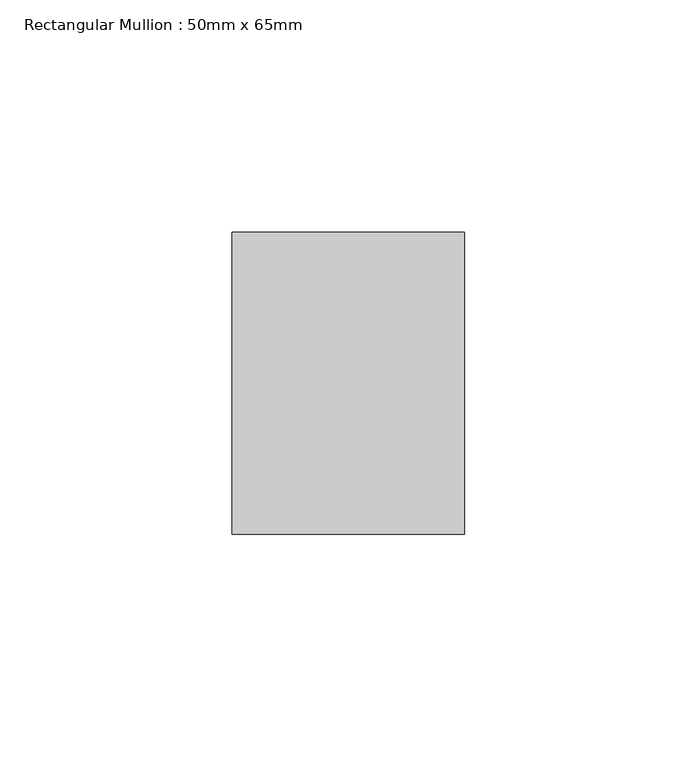
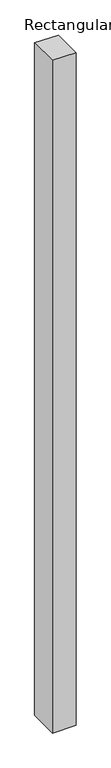
"""IFC4 building model written with IfcOpenShell, lengths in millimetres: member geometry, Rectangular Mullion : 50mm x 65mm."""

from ifc_helpers import new_model, si_unit, origin, place, context, project, spatial, faceted_brep, source, transform, mapped, element, save


def rectangular_mullion_50mm_x_65mm_523b718a(model_context):
    return source(origin(), model_context, "Body", "Brep", [
        faceted_brep([(-25.0, 32.5, -0.2664478), (25.0, 32.5, -0.2664466), (25.0, 32.5, -1499.6464997), (-25.0, 32.5, -1499.646498), (-25.0, -32.5, 0.2664466), (-25.0, -32.5, -1500.3538377), (25.0, -32.5, 0.2664478), (25.0, -32.5, -1500.3538393)], [[[0, 1, 2, 3]], [[4, 0, 3, 5]], [[6, 4, 5, 7]], [[1, 6, 7, 2]], [[1, 0, 4, 6]], [[2, 7, 5, 3]]]),
    ])


if __name__ == "__main__":
    model = new_model("IFC4")
    model_context = context("Model", 3, world=origin())
    ifc_project = project(units=[si_unit("LENGTHUNIT", "METRE", prefix="MILLI")], contexts=[model_context])
    site = spatial("IfcSite", under=ifc_project)
    building = spatial("IfcBuilding", under=site)
    placement = place(None, origin())
    rectangular_mullion_50mm_x_65mm_shape = rectangular_mullion_50mm_x_65mm_523b718a(model_context)
    element("IfcMember", 1, ObjectType="Rectangular Mullion : 50mm x 65mm", at=placement, inside=building, context=model_context, shape_type="MappedRepresentation", body=[
        mapped(rectangular_mullion_50mm_x_65mm_shape, transform((0.0, 0.0, 0.0), x_axis=(1.0, 0.0, 0.0), y_axis=(0.0, 1.0, 0.0), z_axis=(0.0, 0.0, 1.0))),
    ])
    save(model, "model.ifc")
